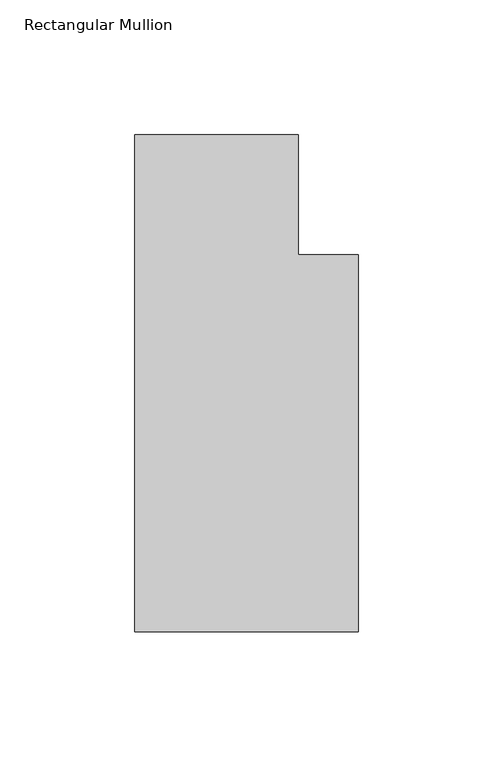
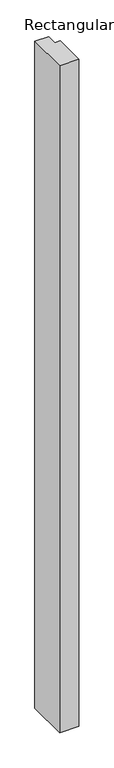
"""IFC4 building model written with IfcOpenShell, lengths in millimetres: member geometry, Rectangular Mullion."""

from ifc_helpers import new_model, si_unit, frame, origin, place, context, project, spatial, polyline, outline, extrude, source, transform, mapped, element, save


def rectangular_mullion_855cda19(model_context):
    return source(origin(), model_context, "Body", "SweptSolid", [
        extrude(outline(polyline([(0.0, -93.8004336), (-82.7668749, -93.8004336), (-82.7668749, 90.41191), (-22.2248868, 90.41191), (-22.2248868, 45.96191), (0.0, 45.96191), (0.0, -93.8004336)])), frame((0.0, 0.0, -3048.0), z_axis=(0.0, 0.0, 1.0), x_axis=(1.0, 0.0, 0.0)), (0.0, 0.0, 1.0), 3048.0),
    ])


if __name__ == "__main__":
    model = new_model("IFC4")
    model_context = context("Model", 3, world=origin())
    ifc_project = project(units=[si_unit("LENGTHUNIT", "METRE", prefix="MILLI")], contexts=[model_context])
    site = spatial("IfcSite", under=ifc_project)
    building = spatial("IfcBuilding", under=site)
    placement = place(None, origin())
    rectangular_mullion_shape = rectangular_mullion_855cda19(model_context)
    element("IfcMember", 1, ObjectType="Rectangular Mullion", at=placement, inside=building, context=model_context, shape_type="MappedRepresentation", body=[
        mapped(rectangular_mullion_shape, transform((0.0, 0.0, 0.0), x_axis=(1.0, 0.0, 0.0), y_axis=(0.0, 1.0, 0.0), z_axis=(0.0, 0.0, 1.0))),
    ])
    save(model, "model.ifc")
